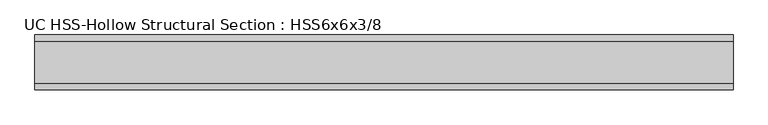
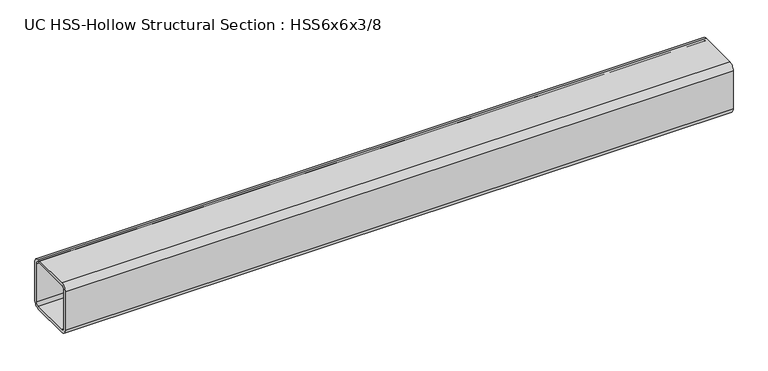
"""IFC4 building model written with IfcOpenShell, lengths in millimetres: beam geometry, UC HSS-Hollow Structural Section : HSS6x6x3/8."""

from ifc_helpers import new_model, si_unit, point, frame, frame_2d, origin, place, context, project, spatial, polyline, circle_curve, trimmed, segment, composite_curve, outline, extrude, source, transform, mapped, element, save


def uc_hss_hollow_structural_section_hss6x6x3_8_355c98a7(model_context):
    return source(origin(), model_context, "Body", "SweptSolid", [
        extrude(outline(composite_curve([segment(polyline([(76.2, 58.4708), (76.2, -58.4708)]), True, "CONTINUOUS"), segment(trimmed(circle_curve(frame_2d((58.4708, -58.4708)), 17.7292), [point((76.2, -58.4708))], [point((58.4708, -76.2))], False, "CARTESIAN"), True, "CONTINUOUS"), segment(polyline([(58.4708, -76.2), (-58.4708, -76.2)]), True, "CONTINUOUS"), segment(trimmed(circle_curve(frame_2d((-58.4708, -58.4708)), 17.7292), [point((-58.4708, -76.2))], [point((-76.2, -58.4708))], False, "CARTESIAN"), True, "CONTINUOUS"), segment(polyline([(-76.2, -58.4708), (-76.2, 58.4708)]), True, "CONTINUOUS"), segment(trimmed(circle_curve(frame_2d((-58.4708, 58.4708)), 17.7292), [point((-76.2, 58.4708))], [point((-58.4708, 76.2))], False, "CARTESIAN"), True, "CONTINUOUS"), segment(polyline([(-58.4708, 76.2), (58.4708, 76.2)]), True, "CONTINUOUS"), segment(trimmed(circle_curve(frame_2d((58.4708, 58.4708)), 17.7292), [point((58.4708, 76.2))], [point((76.2, 58.4708))], False, "CARTESIAN"), True, "CONTINUOUS")], self_intersect=False), holes=[composite_curve([segment(trimmed(circle_curve(frame_2d((-58.4708, 58.4708)), 8.8646), [point((-58.4708, 67.3354))], [point((-67.3354, 58.4708))], True, "CARTESIAN"), True, "CONTINUOUS"), segment(polyline([(-67.3354, 58.4708), (-67.3354, -58.4708)]), True, "CONTINUOUS"), segment(trimmed(circle_curve(frame_2d((-58.4708, -58.4708)), 8.8646), [point((-67.3354, -58.4708))], [point((-58.4708, -67.3354))], True, "CARTESIAN"), True, "CONTINUOUS"), segment(polyline([(-58.4708, -67.3354), (58.4708, -67.3354)]), True, "CONTINUOUS"), segment(trimmed(circle_curve(frame_2d((58.4708, -58.4708)), 8.8646), [point((58.4708, -67.3354))], [point((67.3354, -58.4708))], True, "CARTESIAN"), True, "CONTINUOUS"), segment(polyline([(67.3354, -58.4708), (67.3354, 58.4708)]), True, "CONTINUOUS"), segment(trimmed(circle_curve(frame_2d((58.4708, 58.4708)), 8.8646), [point((67.3354, 58.4708))], [point((58.4708, 67.3354))], True, "CARTESIAN"), True, "CONTINUOUS"), segment(polyline([(58.4708, 67.3354), (-58.4708, 67.3354)]), True, "CONTINUOUS")], self_intersect=False)]), frame((-1039.2621253, 0.0, 0.0), z_axis=(1.0, 0.0, 0.0), x_axis=(0.0, 1.0, 0.0)), (0.0, 0.0, 1.0), 1939.9313996),
    ])


if __name__ == "__main__":
    model = new_model("IFC4")
    model_context = context("Model", 3, world=origin())
    ifc_project = project(units=[si_unit("LENGTHUNIT", "METRE", prefix="MILLI")], contexts=[model_context])
    site = spatial("IfcSite", under=ifc_project)
    building = spatial("IfcBuilding", under=site)
    placement = place(None, origin())
    uc_hss_hollow_structural_section_hss6x6x3_8_shape = uc_hss_hollow_structural_section_hss6x6x3_8_355c98a7(model_context)
    element("IfcBeam", 1, ObjectType="UC HSS-Hollow Structural Section : HSS6x6x3/8", at=placement, inside=building, context=model_context, shape_type="MappedRepresentation", body=[
        mapped(uc_hss_hollow_structural_section_hss6x6x3_8_shape, transform((0.0, 0.0, 0.0), x_axis=(1.0, 0.0, 0.0), y_axis=(0.0, 1.0, 0.0), z_axis=(0.0, 0.0, 1.0))),
    ])
    save(model, "model.ifc")
